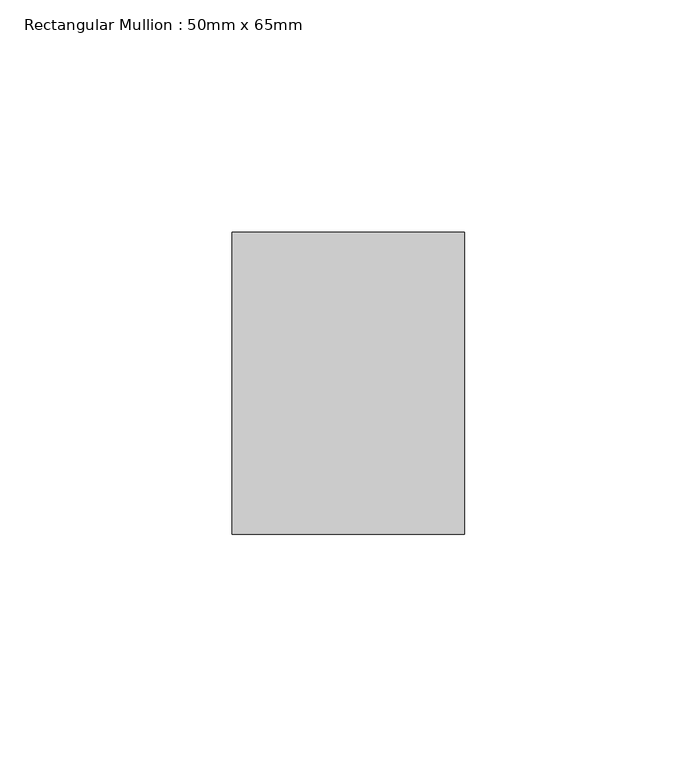
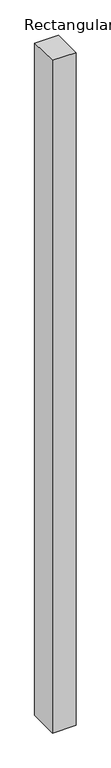
"""IFC4 building model written with IfcOpenShell, lengths in millimetres: member geometry, Rectangular Mullion : 50mm x 65mm."""

from ifc_helpers import new_model, si_unit, origin, place, context, project, spatial, faceted_brep, source, transform, mapped, element, save


def rectangular_mullion_50mm_x_65mm_03929fd5(model_context):
    return source(origin(), model_context, "Body", "Brep", [
        faceted_brep([(-25.0, 32.5, -0.4966777), (25.0, 32.5, -0.4966782), (25.0, 32.5, -1499.5927999), (-25.0, 32.5, -1499.5928002), (-25.0, -32.5, 0.4966782), (-25.0, -32.5, -1500.4074529), (25.0, -32.5, 0.4966777), (25.0, -32.5, -1500.4074526)], [[[0, 1, 2, 3]], [[4, 0, 3, 5]], [[6, 4, 5, 7]], [[1, 6, 7, 2]], [[1, 0, 4, 6]], [[2, 7, 5, 3]]]),
    ])


if __name__ == "__main__":
    model = new_model("IFC4")
    model_context = context("Model", 3, world=origin())
    ifc_project = project(units=[si_unit("LENGTHUNIT", "METRE", prefix="MILLI")], contexts=[model_context])
    site = spatial("IfcSite", under=ifc_project)
    building = spatial("IfcBuilding", under=site)
    placement = place(None, origin())
    rectangular_mullion_50mm_x_65mm_shape = rectangular_mullion_50mm_x_65mm_03929fd5(model_context)
    element("IfcMember", 1, ObjectType="Rectangular Mullion : 50mm x 65mm", at=placement, inside=building, context=model_context, shape_type="MappedRepresentation", body=[
        mapped(rectangular_mullion_50mm_x_65mm_shape, transform((0.0, 0.0, 0.0), x_axis=(1.0, 0.0, 0.0), y_axis=(0.0, 1.0, 0.0), z_axis=(0.0, 0.0, 1.0))),
    ])
    save(model, "model.ifc")
